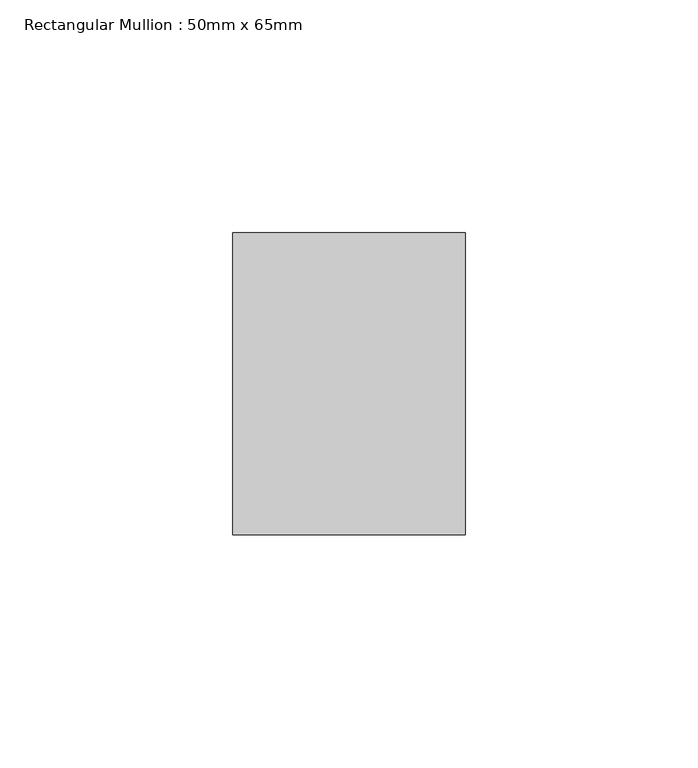
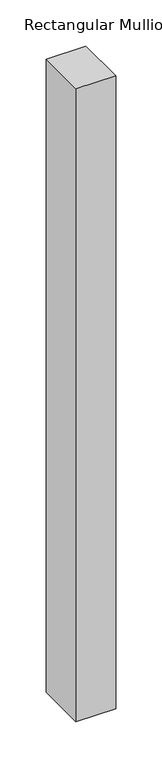
"""IFC4 building model written with IfcOpenShell, lengths in millimetres: member geometry, Rectangular Mullion : 50mm x 65mm."""

import ifcopenshell
import ifcopenshell.guid

model = None  # the IFC model being written
_history = None  # IfcOwnerHistory: only IFC2X3 demands one
_inside = {}  # id of a spatial element -> (the spatial element, [elements in it])
_under = {}  # id of a project, library or spatial element -> (it, [spatial elements below it])
_declared = {}  # id of a project -> (the project, [libraries it declares])
_typed = {}  # id of a type object -> (the type object, [elements of that type])
_made_of = {}  # id of a material, layer set ... -> (it, [elements and type objects made of it])


def new_model(schema):
    """Start an empty IFC model of exactly this schema.

    Asked for "IFC4X3", IfcOpenShell would pick the latest addendum, in which some entities
    have other attributes; the version numbers below select the first issue.
    IFC2X3 requires an IfcOwnerHistory on every rooted entity: one is made here for all.
    """
    global model, _history
    if schema == "IFC4X3":
        model = ifcopenshell.file(schema_version=(4, 3, 0, 0))
    else:
        model = ifcopenshell.file(schema=schema)
    _inside.clear()
    _under.clear()
    _declared.clear()
    _typed.clear()
    _made_of.clear()
    _history = None
    if model.schema == "IFC2X3":
        org = make("IfcOrganization", Name="unknown")
        user = make(
            "IfcPersonAndOrganization",
            ThePerson=make("IfcPerson", FamilyName="unknown"),
            TheOrganization=org,
        )
        app = make(
            "IfcApplication",
            ApplicationDeveloper=org,
            Version="unknown",
            ApplicationFullName="unknown",
            ApplicationIdentifier="unknown",
        )
        _history = make(
            "IfcOwnerHistory",
            OwningUser=user,
            OwningApplication=app,
            ChangeAction="ADDED",
            CreationDate=0,
        )
    return model


def make(cls, **values):
    """One entity of the class cls with the attributes given. An attribute that is None is left unset."""
    return model.create_entity(
        cls, **{name: value for name, value in values.items() if value is not None}
    )


def rooted(cls, **values):
    """An entity with a GlobalId (a new one), such as an element, a storey or a relation."""
    return make(cls, GlobalId=ifcopenshell.guid.new(), OwnerHistory=_history, **values)


def si_unit(unit_type, name, prefix=None):
    """IfcSIUnit, for example si_unit("LENGTHUNIT", "METRE", prefix="MILLI")."""
    return make("IfcSIUnit", UnitType=unit_type, Prefix=prefix, Name=name)


def assignment(units):
    """IfcUnitAssignment: the units of a project."""
    return None if units is None else make("IfcUnitAssignment", Units=units)


def point(xyz):
    """IfcCartesianPoint."""
    return None if xyz is None else make("IfcCartesianPoint", Coordinates=xyz)


def direction(xyz):
    """IfcDirection."""
    return None if xyz is None else make("IfcDirection", DirectionRatios=xyz)


def frame(location, z_axis=None, x_axis=None):
    """IfcAxis2Placement3D, a coordinate frame: its origin and axes. An axis left out is left unset."""
    return make(
        "IfcAxis2Placement3D",
        Location=point(location),
        Axis=direction(z_axis),
        RefDirection=direction(x_axis),
    )


def origin():
    """The frame at (0, 0, 0) with its axes left unset."""
    return frame((0.0, 0.0, 0.0))


def place(relative_to, where):
    """IfcLocalPlacement: puts the frame where relative to a parent placement (None: the world)."""
    return make(
        "IfcLocalPlacement", PlacementRelTo=relative_to, RelativePlacement=where
    )


def context(
    kind, dimensions, precision=None, world=None, true_north=None, identifier=None
):
    """IfcGeometricRepresentationContext, for example the 3D "Model" context."""
    return make(
        "IfcGeometricRepresentationContext",
        ContextIdentifier=identifier,
        ContextType=kind,
        CoordinateSpaceDimension=dimensions,
        Precision=precision,
        WorldCoordinateSystem=world,
        TrueNorth=true_north,
    )


def project(units=None, contexts=None):
    """IfcProject with its units and contexts."""
    return rooted(
        "IfcProject",
        Name="project",
        RepresentationContexts=contexts,
        UnitsInContext=assignment(units),
    )


def spatial(cls, under=None, at=None, **own):
    """A site, building, storey or space (cls), placed at a placement, below another one or the project."""
    s = rooted(cls, ObjectPlacement=at, **own)
    if under is not None:
        _under.setdefault(under.id(), (under, []))[1].append(s)
    return s


def polyline(points):
    """IfcPolyline through the points."""
    return make("IfcPolyline", Points=[point(p) for p in points])


def outline(outer, holes=None, kind="AREA"):
    """IfcArbitraryClosedProfileDef: a profile drawn as a closed curve; with holes, ...WithVoids."""
    if holes is None:
        return make("IfcArbitraryClosedProfileDef", ProfileType=kind, OuterCurve=outer)
    return make(
        "IfcArbitraryProfileDefWithVoids",
        ProfileType=kind,
        OuterCurve=outer,
        InnerCurves=holes,
    )


def extrude(swept, where, along, depth):
    """IfcExtrudedAreaSolid: the profile swept, set in the frame where, extruded along a direction by depth."""
    return make(
        "IfcExtrudedAreaSolid",
        SweptArea=swept,
        Position=where,
        ExtrudedDirection=direction(along),
        Depth=depth,
    )


def shape(context_of_items, identifier, shape_type, items):
    """IfcShapeRepresentation: the items that make up one representation, for example the "Body"."""
    return make(
        "IfcShapeRepresentation",
        ContextOfItems=context_of_items,
        RepresentationIdentifier=identifier,
        RepresentationType=shape_type,
        Items=items,
    )


def source(mapping_origin, context_of_items, identifier, shape_type, items):
    """IfcRepresentationMap: a shape defined once, which mapped items show again and again."""
    return make(
        "IfcRepresentationMap",
        MappingOrigin=mapping_origin,
        MappedRepresentation=shape(context_of_items, identifier, shape_type, items),
    )


def transform(
    local_origin,
    x_axis=None,
    y_axis=None,
    z_axis=None,
    scale=None,
    scale2=None,
    scale3=None,
    uniform=True,
):
    """IfcCartesianTransformationOperator3D, or its non-uniform kind. x_axis, y_axis, z_axis: its Axis1, 2, 3."""
    if uniform:
        return make(
            "IfcCartesianTransformationOperator3D",
            Axis1=direction(x_axis),
            Axis2=direction(y_axis),
            LocalOrigin=point(local_origin),
            Scale=scale,
            Axis3=direction(z_axis),
        )
    return make(
        "IfcCartesianTransformationOperator3DnonUniform",
        Axis1=direction(x_axis),
        Axis2=direction(y_axis),
        LocalOrigin=point(local_origin),
        Scale=scale,
        Axis3=direction(z_axis),
        Scale2=scale2,
        Scale3=scale3,
    )


def mapped(mapping_source, mapping_target):
    """IfcMappedItem: shows the shape of a source again, moved by a transform."""
    return make(
        "IfcMappedItem", MappingSource=mapping_source, MappingTarget=mapping_target
    )


def made_of(thing, what):
    """Note that an element or type object is made of a material, layer set ...; save() writes the relation."""
    if what is not None:
        _made_of.setdefault(what.id(), (what, []))[1].append(thing)
    return thing


def element(
    cls,
    number,
    at=None,
    inside=None,
    cuts=None,
    type_object=None,
    material=None,
    context=None,
    identifier="Body",
    shape_type=None,
    held_by="IfcProductDefinitionShape",
    body=None,
    shapes=None,
    **own,
):
    """One element of the class cls, such as IfcWall. Its Tag is "e" and its number.

    at: its placement. inside: the storey or other place that contains it. cuts: it is an
    opening in that element (IfcRelVoidsElement). A single representation is given by context,
    identifier, shape_type and body (its items); several are given by shapes. held_by: the class
    of the entity that holds the representations. save() writes the other relations.
    """
    e = rooted(cls, Tag="e%d" % number, ObjectPlacement=at, **own)
    if body is not None:
        shapes = [shape(context, identifier, shape_type, body)]
    if shapes is not None:
        e.Representation = make(held_by, Representations=shapes)
    if inside is not None:
        _inside.setdefault(inside.id(), (inside, []))[1].append(e)
    if cuts is not None:
        rooted(
            "IfcRelVoidsElement", RelatingBuildingElement=cuts, RelatedOpeningElement=e
        )
    if type_object is not None:
        _typed.setdefault(type_object.id(), (type_object, []))[1].append(e)
    return made_of(e, material)


def aggregate(whole, parts):
    """IfcRelAggregates: a whole, such as a stair, and the parts it consists of."""
    return rooted("IfcRelAggregates", RelatingObject=whole, RelatedObjects=parts)


def save(model, path):
    """Write the relations noted so far, then the file.

    IfcRelAggregates (storeys below a building ...), IfcRelContainedInSpatialStructure (elements
    in a storey), IfcRelDefinesByType, IfcRelAssociatesMaterial and IfcRelDeclares: one each for
    every whole, place, type object, material and project.
    """
    for whole, parts in _under.values():
        aggregate(whole, parts)
    for where, things in _inside.values():
        rooted(
            "IfcRelContainedInSpatialStructure",
            RelatedElements=things,
            RelatingStructure=where,
        )
    for kind, things in _typed.values():
        rooted("IfcRelDefinesByType", RelatedObjects=things, RelatingType=kind)
    for what, things in _made_of.values():
        rooted("IfcRelAssociatesMaterial", RelatedObjects=things, RelatingMaterial=what)
    for by, libraries in _declared.values():
        rooted("IfcRelDeclares", RelatingContext=by, RelatedDefinitions=libraries)
    model.write(path)


def rectangular_mullion_50mm_x_65mm_d3184103(model_context):
    return source(origin(), model_context, "Body", "SweptSolid", [
        extrude(outline(polyline([(0.0, 32.5), (0.0, -32.5), (-50.0, -32.5), (-50.0, 32.5), (0.0, 32.5)])), frame((0.0, 0.0, -840.0), z_axis=(0.0, 0.0, 1.0), x_axis=(1.0, 0.0, 0.0)), (0.0, 0.0, 1.0), 840.0),
    ])


if __name__ == "__main__":
    model = new_model("IFC4")
    model_context = context("Model", 3, world=origin())
    ifc_project = project(units=[si_unit("LENGTHUNIT", "METRE", prefix="MILLI")], contexts=[model_context])
    site = spatial("IfcSite", under=ifc_project)
    building = spatial("IfcBuilding", under=site)
    placement = place(None, origin())
    rectangular_mullion_50mm_x_65mm_shape = rectangular_mullion_50mm_x_65mm_d3184103(model_context)
    element("IfcMember", 1, ObjectType="Rectangular Mullion : 50mm x 65mm", at=placement, inside=building, context=model_context, shape_type="MappedRepresentation", body=[
        mapped(rectangular_mullion_50mm_x_65mm_shape, transform((0.0, 0.0, 0.0), x_axis=(1.0, 0.0, 0.0), y_axis=(0.0, 1.0, 0.0), z_axis=(0.0, 0.0, 1.0))),
    ])
    save(model, "model.ifc")
